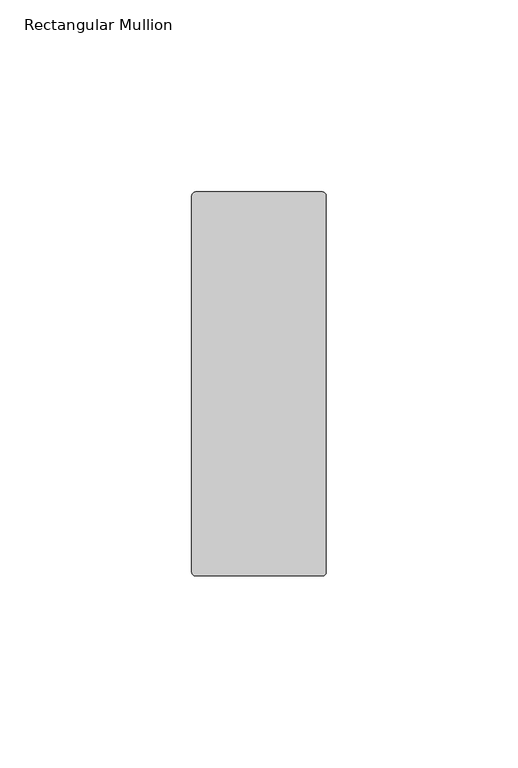
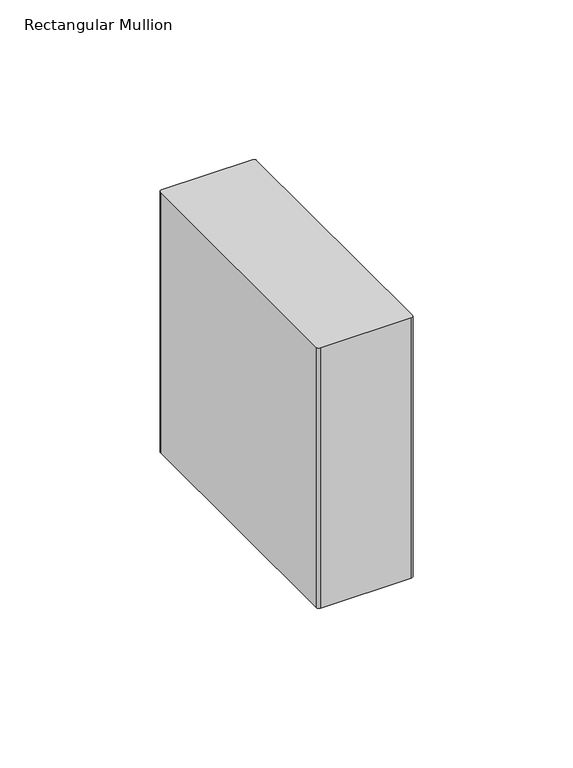
"""IFC4 building model written with IfcOpenShell, lengths in millimetres: member geometry, Rectangular Mullion."""

from ifc_helpers import new_model, si_unit, point, frame, frame_2d, origin, place, context, project, spatial, polyline, circle_curve, trimmed, segment, composite_curve, outline, extrude, source, transform, mapped, element, save


def rectangular_mullion_9905de4a(model_context):
    return source(origin(), model_context, "Body", "SweptSolid", [
        extrude(outline(composite_curve([segment(polyline([(-34.0, -6.75), (-1.0, -6.75)]), True, "CONTINUOUS"), segment(trimmed(circle_curve(frame_2d((-1.0, -7.75)), 1.0), [point((-1.0, -6.75))], [point((0.0, -7.75))], False, "CARTESIAN"), True, "CONTINUOUS"), segment(polyline([(0.0, -7.75), (0.0, -105.75)]), True, "CONTINUOUS"), segment(trimmed(circle_curve(frame_2d((-1.0, -105.75)), 1.0), [point((0.0, -105.75))], [point((-1.0, -106.75))], False, "CARTESIAN"), True, "CONTINUOUS"), segment(polyline([(-1.0, -106.75), (-34.0, -106.75)]), True, "CONTINUOUS"), segment(trimmed(circle_curve(frame_2d((-34.0, -105.75)), 1.0), [point((-34.0, -106.75))], [point((-35.0, -105.75))], False, "CARTESIAN"), True, "CONTINUOUS"), segment(polyline([(-35.0, -105.75), (-35.0, -7.75)]), True, "CONTINUOUS"), segment(trimmed(circle_curve(frame_2d((-34.0, -7.75)), 1.0), [point((-35.0, -7.75))], [point((-34.0, -6.75))], False, "CARTESIAN"), True, "CONTINUOUS")], self_intersect=False)), frame((0.0, 0.0, -100.0), z_axis=(0.0, 0.0, 1.0), x_axis=(1.0, 0.0, 0.0)), (0.0, 0.0, 1.0), 100.0),
    ])


if __name__ == "__main__":
    model = new_model("IFC4")
    model_context = context("Model", 3, world=origin())
    ifc_project = project(units=[si_unit("LENGTHUNIT", "METRE", prefix="MILLI")], contexts=[model_context])
    site = spatial("IfcSite", under=ifc_project)
    building = spatial("IfcBuilding", under=site)
    placement = place(None, origin())
    rectangular_mullion_shape = rectangular_mullion_9905de4a(model_context)
    element("IfcMember", 1, ObjectType="Rectangular Mullion", at=placement, inside=building, context=model_context, shape_type="MappedRepresentation", body=[
        mapped(rectangular_mullion_shape, transform((0.0, 0.0, 0.0), x_axis=(1.0, 0.0, 0.0), y_axis=(0.0, 1.0, 0.0), z_axis=(0.0, 0.0, 1.0))),
    ])
    save(model, "model.ifc")
